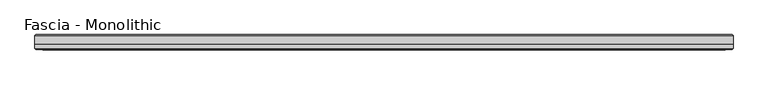
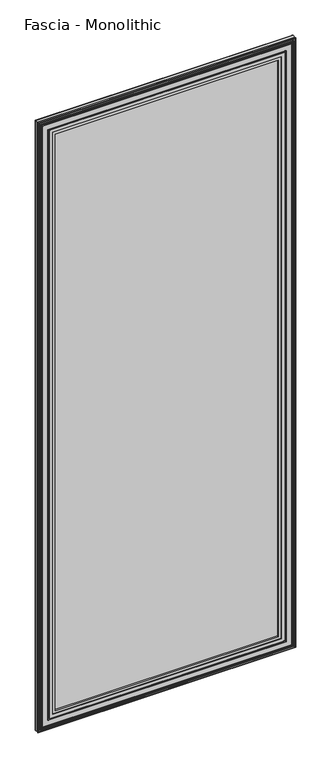
"""IFC4 building model written with IfcOpenShell, lengths in millimetres: proxy geometry, Fascia - Monolithic."""

from ifc_helpers import new_model, si_unit, frame, origin, place, context, project, spatial, ellipse_curve, source, transform, mapped, element, save
from ifc_brep_helpers import plane_surface, cylinder_surface, advanced_brep


def fascia_monolithic_1a6b7d2a(model_context):
    return source(origin(), model_context, "Body", "AdvancedBrep", [
        advanced_brep(
        [(-552.4802416, -15.8650077, 46.2434077), (-552.7496493, -16.7386, 45.974), (552.7496493, -16.7386, 45.974), (552.4802416, -15.8650077, 46.2434077), (-553.654057, -14.6911923, 45.0695923), (553.654057, -14.6911923, 45.0695923), (-546.567457, -15.8650077, 52.1561923), (-545.3936416, -14.6911923, 53.3300077), (545.3936416, -14.6911923, 53.3300077), (546.567457, -15.8650077, 52.1561923), (-546.2980493, -16.7386, 52.4256), (546.2980493, -16.7386, 52.4256), (-530.0166493, -15.5956, 68.707), (-530.7786493, -16.7386, 67.945), (530.7786493, -16.7386, 67.945), (530.0166493, -15.5956, 68.707), (-517.6976493, -8.4836, 81.026), (-517.6976493, -15.5956, 81.026), (517.6976493, -15.5956, 81.026), (517.6976493, -8.4836, 81.026), (-598.7236493, -15.2146, 0.0), (-598.7236493, -8.4836, 0.0), (598.7236493, -8.4836, 0.0), (598.7236493, -15.2146, 0.0), (-597.1996493, -16.7386, 1.524), (597.1996493, -16.7386, 1.524), (-595.1522416, -15.8650077, 3.5714077), (-595.4216493, -16.7386, 3.302), (595.4216493, -16.7386, 3.302), (595.1522416, -15.8650077, 3.5714077), (-596.326057, -14.6911923, 2.3975923), (596.326057, -14.6911923, 2.3975923), (-589.239457, -15.8650077, 9.4841923), (-588.0656416, -14.6911923, 10.6580077), (588.0656416, -14.6911923, 10.6580077), (589.239457, -15.8650077, 9.4841923), (-588.9700493, -16.7386, 9.7536), (588.9700493, -16.7386, 9.7536), (-584.0805493, -16.7386, 14.6431), (-585.6045493, -16.7386, 13.1191), (585.6045493, -16.7386, 13.1191), (584.0805493, -16.7386, 14.6431), (-578.1115493, -16.7386, 20.6121), (-580.5245493, -16.7386, 18.1991), (580.5245493, -16.7386, 18.1991), (578.1115493, -16.7386, 20.6121), (552.7496493, -16.7386, 2946.7494), (552.4802416, -15.8650077, 2946.4799923), (553.654057, -14.6911923, 2947.6538077), (545.3936416, -14.6911923, 2939.3933923), (546.567457, -15.8650077, 2940.5672077), (546.2980493, -16.7386, 2940.2978), (530.7786493, -16.7386, 2924.7784), (530.0166493, -15.5956, 2924.0164), (517.6976493, -15.5956, 2911.6974), (517.6976493, -8.4836, 2911.6974), (598.7236493, -8.4836, 2992.7234), (598.7236493, -15.2146, 2992.7234), (597.1996493, -16.7386, 2991.1994), (595.4216493, -16.7386, 2989.4214), (595.1522416, -15.8650077, 2989.1519923), (596.326057, -14.6911923, 2990.3258077), (588.0656416, -14.6911923, 2982.0653923), (589.239457, -15.8650077, 2983.2392077), (588.9700493, -16.7386, 2982.9698), (585.6045493, -16.7386, 2979.6043), (584.0805493, -16.7386, 2978.0803), (580.5245493, -16.7386, 2974.5243), (578.1115493, -16.7386, 2972.1113), (-552.7496493, -16.7386, 2946.7494), (-552.4802416, -15.8650077, 2946.4799923), (-553.654057, -14.6911923, 2947.6538077), (-545.3936416, -14.6911923, 2939.3933923), (-546.567457, -15.8650077, 2940.5672077), (-546.2980493, -16.7386, 2940.2978), (-530.7786493, -16.7386, 2924.7784), (-530.0166493, -15.5956, 2924.0164), (-517.6976493, -15.5956, 2911.6974), (-517.6976493, -8.4836, 2911.6974), (-598.7236493, -8.4836, 2992.7234), (-598.7236493, -15.2146, 2992.7234), (-597.1996493, -16.7386, 2991.1994), (-595.4216493, -16.7386, 2989.4214), (-595.1522416, -15.8650077, 2989.1519923), (-596.326057, -14.6911923, 2990.3258077), (-588.0656416, -14.6911923, 2982.0653923), (-589.239457, -15.8650077, 2983.2392077), (-588.9700493, -16.7386, 2982.9698), (-585.6045493, -16.7386, 2979.6043), (-584.0805493, -16.7386, 2978.0803), (-580.5245493, -16.7386, 2974.5243), (-578.1115493, -16.7386, 2972.1113)],
        [
            (0, 1, ellipse_curve(frame((-552.8458339, -16.2306, 45.8778154), z_axis=(0.7071067811865475, 0.0, -0.7071067811865475), x_axis=(-0.7071067811865476, 0.0, -0.7071067811865474)), 0.7311846, 0.5170256)),
            (1, 2),
            (2, 3, ellipse_curve(frame((552.8458339, -16.2306, 45.8778154), z_axis=(-0.7071067811865475, 0.0, -0.7071067811865475), x_axis=(-0.7071067811865476, 0.0, 0.7071067811865474)), 0.7311846, 0.5170256)),
            (3, 0),
            (4, 0),
            (3, 5),
            (5, 4),
            (6, 7),
            (7, 8),
            (8, 9),
            (9, 6),
            (10, 6, ellipse_curve(frame((-546.2018647, -16.2306, 52.5217846), z_axis=(0.7071067811865475, 0.0, -0.7071067811865475), x_axis=(-0.7071067811865476, 0.0, -0.7071067811865474)), 0.7311846, 0.5170256)),
            (9, 11, ellipse_curve(frame((546.2018647, -16.2306, 52.5217846), z_axis=(-0.7071067811865475, 0.0, -0.7071067811865475), x_axis=(-0.7071067811865476, 0.0, 0.7071067811865474)), 0.7311846, 0.5170256)),
            (11, 10),
            (12, 13),
            (13, 14),
            (14, 15),
            (15, 12),
            (16, 17),
            (17, 18),
            (18, 19),
            (19, 16),
            (20, 21),
            (21, 22),
            (22, 23),
            (23, 20),
            (24, 20),
            (23, 25),
            (25, 24),
            (26, 27, ellipse_curve(frame((-595.5178339, -16.2306, 3.2058154), z_axis=(0.7071067811865475, 0.0, -0.7071067811865475), x_axis=(-0.7071067811865476, 0.0, -0.7071067811865474)), 0.7311846, 0.5170256)),
            (27, 28),
            (28, 29, ellipse_curve(frame((595.5178339, -16.2306, 3.2058154), z_axis=(-0.7071067811865475, 0.0, -0.7071067811865475), x_axis=(-0.7071067811865476, 0.0, 0.7071067811865474)), 0.7311846, 0.5170256)),
            (29, 26),
            (30, 26),
            (29, 31),
            (31, 30),
            (32, 33),
            (33, 34),
            (34, 35),
            (35, 32),
            (36, 32, ellipse_curve(frame((-588.8738647, -16.2306, 9.8497846), z_axis=(0.7071067811865475, 0.0, -0.7071067811865475), x_axis=(-0.7071067811865476, 0.0, -0.7071067811865474)), 0.7311846, 0.5170256)),
            (35, 37, ellipse_curve(frame((588.8738647, -16.2306, 9.8497846), z_axis=(-0.7071067811865475, 0.0, -0.7071067811865475), x_axis=(-0.7071067811865476, 0.0, 0.7071067811865474)), 0.7311846, 0.5170256)),
            (37, 36),
            (38, 39, ellipse_curve(frame((-584.8425493, -16.7386, 13.8811), z_axis=(0.7071067811865475, 0.0, -0.7071067811865475), x_axis=(-0.7071067811865476, 0.0, -0.7071067811865474)), 1.0776307, 0.762)),
            (39, 40),
            (40, 41, ellipse_curve(frame((584.8425493, -16.7386, 13.8811), z_axis=(-0.7071067811865475, 0.0, -0.7071067811865475), x_axis=(-0.7071067811865476, 0.0, 0.7071067811865474)), 1.0776307, 0.762)),
            (41, 38),
            (42, 43, ellipse_curve(frame((-579.3180493, -16.0202269, 19.4056), z_axis=(0.7071067811865475, 0.0, -0.7071067811865475), x_axis=(-0.7071067811865476, 0.0, -0.7071067811865474)), 1.9858007, 1.4041731)),
            (43, 44),
            (44, 45, ellipse_curve(frame((579.3180493, -16.0202269, 19.4056), z_axis=(-0.7071067811865475, 0.0, -0.7071067811865475), x_axis=(-0.7071067811865476, 0.0, 0.7071067811865474)), 1.9858007, 1.4041731)),
            (45, 42),
            (2, 46),
            (46, 47, ellipse_curve(frame((552.8458339, -16.2306, 2946.8455846), z_axis=(0.7071067811865475, 0.0, -0.7071067811865475), x_axis=(-0.7071067811865474, 0.0, -0.7071067811865476)), 0.7311846, 0.5170256)),
            (47, 3),
            (47, 48),
            (48, 5),
            (8, 49),
            (49, 50),
            (50, 9),
            (50, 51, ellipse_curve(frame((546.2018647, -16.2306, 2940.2016154), z_axis=(0.7071067811865475, 0.0, -0.7071067811865475), x_axis=(-0.7071067811865474, 0.0, -0.7071067811865476)), 0.7311846, 0.5170256)),
            (51, 11),
            (14, 52),
            (52, 53),
            (53, 15),
            (18, 54),
            (54, 55),
            (55, 19),
            (22, 56),
            (56, 57),
            (57, 23),
            (57, 58),
            (58, 25),
            (28, 59),
            (59, 60, ellipse_curve(frame((595.5178339, -16.2306, 2989.5175846), z_axis=(0.7071067811865475, 0.0, -0.7071067811865475), x_axis=(-0.7071067811865474, 0.0, -0.7071067811865476)), 0.7311846, 0.5170256)),
            (60, 29),
            (60, 61),
            (61, 31),
            (34, 62),
            (62, 63),
            (63, 35),
            (63, 64, ellipse_curve(frame((588.8738647, -16.2306, 2982.8736154), z_axis=(0.7071067811865475, 0.0, -0.7071067811865475), x_axis=(-0.7071067811865474, 0.0, -0.7071067811865476)), 0.7311846, 0.5170256)),
            (64, 37),
            (40, 65),
            (65, 66, ellipse_curve(frame((584.8425493, -16.7386, 2978.8423), z_axis=(0.7071067811865475, 0.0, -0.7071067811865475), x_axis=(-0.7071067811865474, 0.0, -0.7071067811865476)), 1.0776307, 0.762)),
            (66, 41),
            (44, 67),
            (67, 68, ellipse_curve(frame((579.3180493, -16.0202269, 2973.3178), z_axis=(0.7071067811865475, 0.0, -0.7071067811865475), x_axis=(-0.7071067811865474, 0.0, -0.7071067811865476)), 1.9858007, 1.4041731)),
            (68, 45),
            (46, 69),
            (69, 70, ellipse_curve(frame((-552.8458339, -16.2306, 2946.8455846), z_axis=(0.7071067811865475, 0.0, 0.7071067811865475), x_axis=(0.7071067811865476, 0.0, -0.7071067811865474)), 0.7311846, 0.5170256)),
            (70, 47),
            (70, 71),
            (71, 48),
            (49, 72),
            (72, 73),
            (73, 50),
            (73, 74, ellipse_curve(frame((-546.2018647, -16.2306, 2940.2016154), z_axis=(0.7071067811865475, 0.0, 0.7071067811865475), x_axis=(0.7071067811865476, 0.0, -0.7071067811865474)), 0.7311846, 0.5170256)),
            (74, 51),
            (52, 75),
            (75, 76),
            (76, 53),
            (54, 77),
            (77, 78),
            (78, 55),
            (56, 79),
            (79, 80),
            (80, 57),
            (80, 81),
            (81, 58),
            (59, 82),
            (82, 83, ellipse_curve(frame((-595.5178339, -16.2306, 2989.5175846), z_axis=(0.7071067811865475, 0.0, 0.7071067811865475), x_axis=(0.7071067811865476, 0.0, -0.7071067811865474)), 0.7311846, 0.5170256)),
            (83, 60),
            (83, 84),
            (84, 61),
            (62, 85),
            (85, 86),
            (86, 63),
            (86, 87, ellipse_curve(frame((-588.8738647, -16.2306, 2982.8736154), z_axis=(0.7071067811865475, 0.0, 0.7071067811865475), x_axis=(0.7071067811865476, 0.0, -0.7071067811865474)), 0.7311846, 0.5170256)),
            (87, 64),
            (65, 88),
            (88, 89, ellipse_curve(frame((-584.8425493, -16.7386, 2978.8423), z_axis=(0.7071067811865475, 0.0, 0.7071067811865475), x_axis=(0.7071067811865476, 0.0, -0.7071067811865474)), 1.0776307, 0.762)),
            (89, 66),
            (67, 90),
            (90, 91, ellipse_curve(frame((-579.3180493, -16.0202269, 2973.3178), z_axis=(0.7071067811865475, 0.0, 0.7071067811865475), x_axis=(0.7071067811865476, 0.0, -0.7071067811865474)), 1.9858007, 1.4041731)),
            (91, 68),
            (91, 42),
            (1, 69),
            (0, 70),
            (4, 71),
            (7, 72),
            (6, 73),
            (10, 74),
            (13, 75),
            (12, 76),
            (17, 77),
            (16, 78),
            (21, 79),
            (20, 80),
            (24, 81),
            (27, 82),
            (26, 83),
            (30, 84),
            (33, 85),
            (32, 86),
            (36, 87),
            (39, 88),
            (38, 89),
            (43, 90),
        ],
        [
            cylinder_surface(frame((-598.7236493, -16.2306, 45.8778154), z_axis=(-1.0, 0.0, 0.0), x_axis=(0.0, 0.0, 1.0)), 0.5170256),
            plane_surface(frame((-552.4802416, -15.8650077, 46.2434077), z_axis=(0.0, 0.7071067813016592, 0.7071067810714359), x_axis=(1.0, 0.0, 0.0))),
            plane_surface(frame((-545.3936416, -14.6911923, 53.3300077), z_axis=(0.0, 0.7071067813016237, -0.7071067810714713), x_axis=(1.0, 0.0, 0.0))),
            cylinder_surface(frame((-598.7236493, -16.2306, 52.5217846), z_axis=(-1.0, 0.0, 0.0), x_axis=(0.0, 0.0, 1.0)), 0.5170256),
            plane_surface(frame((-530.7786493, -16.7386, 67.945), z_axis=(0.0, -0.554700195976685, 0.8320502945035398), x_axis=(1.0, 0.0, 0.0))),
            plane_surface(frame((-517.6976493, -15.5956, 81.026), z_axis=(0.0, 0.0, 1.0), x_axis=(1.0, 0.0, 0.0))),
            plane_surface(frame((-598.7236493, -8.4836, 0.0), z_axis=(0.0, 0.0, -1.0), x_axis=(1.0, 0.0, 0.0))),
            plane_surface(frame((-598.7236493, -15.2146, 0.0), z_axis=(0.0, -0.7071067811865392, -0.7071067811865558), x_axis=(1.0, 0.0, 0.0))),
            cylinder_surface(frame((-598.7236493, -16.2306, 3.2058154), z_axis=(-1.0, 0.0, 0.0), x_axis=(0.0, 0.0, 1.0)), 0.5170256),
            plane_surface(frame((-595.1522416, -15.8650077, 3.5714077), z_axis=(0.0, 0.707106781113895, 0.7071067812592001), x_axis=(1.0, 0.0, 0.0))),
            plane_surface(frame((-588.0656416, -14.6911923, 10.6580077), z_axis=(0.0, 0.7071067811880475, -0.7071067811850476), x_axis=(1.0, 0.0, 0.0))),
            cylinder_surface(frame((-598.7236493, -16.2306, 9.8497846), z_axis=(-1.0, 0.0, 0.0), x_axis=(0.0, 0.0, 1.0)), 0.5170256),
            cylinder_surface(frame((-598.7236493, -16.7386, 13.8811), z_axis=(-1.0, 0.0, 0.0), x_axis=(0.0, 0.0, 1.0)), 0.762),
            cylinder_surface(frame((-598.7236493, -16.0202269, 19.4056), z_axis=(-1.0, 0.0, 0.0), x_axis=(0.0, 0.0, 1.0)), 1.4041731),
            cylinder_surface(frame((552.8458339, -16.2306, 0.0), z_axis=(0.0, 0.0, -1.0), x_axis=(-1.0, 0.0, 0.0)), 0.5170256),
            plane_surface(frame((552.4802416, -15.8650077, 46.2434077), z_axis=(-0.7071067810714261, 0.7071067813016689, 0.0), x_axis=(0.0, 0.0, 1.0))),
            plane_surface(frame((545.3936416, -14.6911923, 53.3300077), z_axis=(0.7071067810714811, 0.707106781301614, 0.0), x_axis=(0.0, 0.0, 1.0))),
            cylinder_surface(frame((546.2018647, -16.2306, 0.0), z_axis=(0.0, 0.0, -1.0), x_axis=(-1.0, 0.0, 0.0)), 0.5170256),
            plane_surface(frame((530.7786493, -16.7386, 67.945), z_axis=(-0.8320502945035475, -0.5547001959766734, 0.0), x_axis=(0.0, 0.0, 1.0))),
            plane_surface(frame((517.6976493, -15.5956, 81.026), z_axis=(-1.0, 0.0, 0.0), x_axis=(0.0, 0.0, 1.0))),
            plane_surface(frame((598.7236493, -8.4836, 0.0), z_axis=(1.0, 0.0, 0.0), x_axis=(0.0, 0.0, 1.0))),
            plane_surface(frame((598.7236493, -15.2146, 0.0), z_axis=(0.707106781186546, -0.707106781186549, 0.0), x_axis=(0.0, 0.0, 1.0))),
            cylinder_surface(frame((595.5178339, -16.2306, 0.0), z_axis=(0.0, 0.0, -1.0), x_axis=(-1.0, 0.0, 0.0)), 0.5170256),
            plane_surface(frame((595.1522416, -15.8650077, 3.5714077), z_axis=(-0.7071067812591904, 0.7071067811139048, 0.0), x_axis=(0.0, 0.0, 1.0))),
            plane_surface(frame((588.0656416, -14.6911923, 10.6580077), z_axis=(0.7071067811850573, 0.7071067811880377, 0.0), x_axis=(0.0, 0.0, 1.0))),
            cylinder_surface(frame((588.8738647, -16.2306, 0.0), z_axis=(0.0, 0.0, -1.0), x_axis=(-1.0, 0.0, 0.0)), 0.5170256),
            cylinder_surface(frame((584.8425493, -16.7386, 0.0), z_axis=(0.0, 0.0, -1.0), x_axis=(-1.0, 0.0, 0.0)), 0.762),
            cylinder_surface(frame((579.3180493, -16.0202269, 0.0), z_axis=(0.0, 0.0, -1.0), x_axis=(-1.0, 0.0, 0.0)), 1.4041731),
            cylinder_surface(frame((598.7236493, -16.2306, 2946.8455846), z_axis=(1.0, 0.0, 0.0), x_axis=(0.0, 0.0, -1.0)), 0.5170256),
            plane_surface(frame((552.4802416, -15.8650077, 2946.4799923), z_axis=(0.0, 0.7071067813016787, -0.7071067810714163), x_axis=(-1.0, 0.0, 0.0))),
            plane_surface(frame((545.3936416, -14.6911923, 2939.3933923), z_axis=(0.0, 0.7071067813016042, 0.7071067810714908), x_axis=(-1.0, 0.0, 0.0))),
            cylinder_surface(frame((598.7236493, -16.2306, 2940.2016154), z_axis=(1.0, 0.0, 0.0), x_axis=(0.0, 0.0, -1.0)), 0.5170256),
            plane_surface(frame((530.7786493, -16.7386, 2924.7784), z_axis=(0.0, -0.5547001959766619, -0.8320502945035552), x_axis=(-1.0, 0.0, 0.0))),
            plane_surface(frame((517.6976493, -15.5956, 2911.6974), z_axis=(0.0, 0.0, -1.0), x_axis=(-1.0, 0.0, 0.0))),
            plane_surface(frame((598.7236493, -8.4836, 2992.7234), z_axis=(0.0, 0.0, 1.0), x_axis=(-1.0, 0.0, 0.0))),
            plane_surface(frame((598.7236493, -15.2146, 2992.7234), z_axis=(0.0, -0.7071067811865588, 0.7071067811865362), x_axis=(-1.0, 0.0, 0.0))),
            cylinder_surface(frame((598.7236493, -16.2306, 2989.5175846), z_axis=(1.0, 0.0, 0.0), x_axis=(0.0, 0.0, -1.0)), 0.5170256),
            plane_surface(frame((595.1522416, -15.8650077, 2989.1519923), z_axis=(0.0, 0.7071067811139146, -0.7071067812591806), x_axis=(-1.0, 0.0, 0.0))),
            plane_surface(frame((588.0656416, -14.6911923, 2982.0653923), z_axis=(0.0, 0.7071067811880279, 0.7071067811850671), x_axis=(-1.0, 0.0, 0.0))),
            cylinder_surface(frame((598.7236493, -16.2306, 2982.8736154), z_axis=(1.0, 0.0, 0.0), x_axis=(0.0, 0.0, -1.0)), 0.5170256),
            cylinder_surface(frame((598.7236493, -16.7386, 2978.8423), z_axis=(1.0, 0.0, 0.0), x_axis=(0.0, 0.0, -1.0)), 0.762),
            cylinder_surface(frame((598.7236493, -16.0202269, 2973.3178), z_axis=(1.0, 0.0, 0.0), x_axis=(0.0, 0.0, -1.0)), 1.4041731),
            plane_surface(frame((-578.1115493, -16.7386, 2972.1113), z_axis=(0.0, -1.0, 0.0), x_axis=(0.0, 0.0, -1.0))),
            cylinder_surface(frame((-552.8458339, -16.2306, 2992.7234), z_axis=(0.0, 0.0, 1.0), x_axis=(1.0, 0.0, 0.0)), 0.5170256),
            plane_surface(frame((-552.4802416, -15.8650077, 2946.4799923), z_axis=(0.7071067810714261, 0.7071067813016689, 0.0), x_axis=(0.0, 0.0, -1.0))),
            plane_surface(frame((-553.654057, -14.6911923, 2947.6538077), z_axis=(0.0, -1.0, 0.0), x_axis=(0.0, 0.0, -1.0))),
            plane_surface(frame((-545.3936416, -14.6911923, 2939.3933923), z_axis=(-0.7071067810714811, 0.707106781301614, 0.0), x_axis=(0.0, 0.0, -1.0))),
            cylinder_surface(frame((-546.2018647, -16.2306, 2992.7234), z_axis=(0.0, 0.0, 1.0), x_axis=(1.0, 0.0, 0.0)), 0.5170256),
            plane_surface(frame((-546.2980493, -16.7386, 2940.2978), z_axis=(0.0, -1.0, 0.0), x_axis=(0.0, 0.0, -1.0))),
            plane_surface(frame((-530.7786493, -16.7386, 2924.7784), z_axis=(0.8320502945035475, -0.5547001959766734, 0.0), x_axis=(0.0, 0.0, -1.0))),
            plane_surface(frame((-530.0166493, -15.5956, 2924.0164), z_axis=(0.0, -1.0, 0.0), x_axis=(0.0, 0.0, -1.0))),
            plane_surface(frame((-517.6976493, -15.5956, 2911.6974), z_axis=(1.0, 0.0, 0.0), x_axis=(0.0, 0.0, -1.0))),
            plane_surface(frame((-517.6976493, -8.4836, 2911.6974), z_axis=(0.0, 1.0, 0.0), x_axis=(0.0, 0.0, -1.0))),
            plane_surface(frame((-598.7236493, -8.4836, 2992.7234), z_axis=(-1.0, 0.0, 0.0), x_axis=(0.0, 0.0, -1.0))),
            plane_surface(frame((-598.7236493, -15.2146, 2992.7234), z_axis=(-0.707106781186546, -0.707106781186549, 0.0), x_axis=(0.0, 0.0, -1.0))),
            plane_surface(frame((-597.1996493, -16.7386, 2991.1994), z_axis=(0.0, -1.0, 0.0), x_axis=(0.0, 0.0, -1.0))),
            cylinder_surface(frame((-595.5178339, -16.2306, 2992.7234), z_axis=(0.0, 0.0, 1.0), x_axis=(1.0, 0.0, 0.0)), 0.5170256),
            plane_surface(frame((-595.1522416, -15.8650077, 2989.1519923), z_axis=(0.7071067812591904, 0.7071067811139048, 0.0), x_axis=(0.0, 0.0, -1.0))),
            plane_surface(frame((-596.326057, -14.6911923, 2990.3258077), z_axis=(0.0, -1.0, 0.0), x_axis=(0.0, 0.0, -1.0))),
            plane_surface(frame((-588.0656416, -14.6911923, 2982.0653923), z_axis=(-0.7071067811850573, 0.7071067811880377, 0.0), x_axis=(0.0, 0.0, -1.0))),
            cylinder_surface(frame((-588.8738647, -16.2306, 2992.7234), z_axis=(0.0, 0.0, 1.0), x_axis=(1.0, 0.0, 0.0)), 0.5170256),
            plane_surface(frame((-588.9700493, -16.7386, 2982.9698), z_axis=(0.0, -1.0, 0.0), x_axis=(0.0, 0.0, -1.0))),
            cylinder_surface(frame((-584.8425493, -16.7386, 2992.7234), z_axis=(0.0, 0.0, 1.0), x_axis=(1.0, 0.0, 0.0)), 0.762),
            plane_surface(frame((-584.0805493, -16.7386, 2978.0803), z_axis=(0.0, -1.0, 0.0), x_axis=(0.0, 0.0, -1.0))),
            cylinder_surface(frame((-579.3180493, -16.0202269, 2992.7234), z_axis=(0.0, 0.0, 1.0), x_axis=(1.0, 0.0, 0.0)), 1.4041731),
        ],
        [
            (0, [[1, 2, 3, 4]]),
            (1, [[5, -4, 6, 7]]),
            (2, [[8, 9, 10, 11]]),
            (3, [[12, -11, 13, 14]]),
            (4, [[15, 16, 17, 18]]),
            (5, [[19, 20, 21, 22]]),
            (6, [[23, 24, 25, 26]]),
            (7, [[27, -26, 28, 29]]),
            (8, [[30, 31, 32, 33]]),
            (9, [[34, -33, 35, 36]]),
            (10, [[37, 38, 39, 40]]),
            (11, [[41, -40, 42, 43]]),
            (12, [[44, 45, 46, 47]]),
            (13, [[48, 49, 50, 51]]),
            (14, [[-3, 52, 53, 54]]),
            (15, [[-6, -54, 55, 56]]),
            (16, [[-10, 57, 58, 59]]),
            (17, [[-13, -59, 60, 61]]),
            (18, [[-17, 62, 63, 64]]),
            (19, [[-21, 65, 66, 67]]),
            (20, [[-25, 68, 69, 70]]),
            (21, [[-28, -70, 71, 72]]),
            (22, [[-32, 73, 74, 75]]),
            (23, [[-35, -75, 76, 77]]),
            (24, [[-39, 78, 79, 80]]),
            (25, [[-42, -80, 81, 82]]),
            (26, [[-46, 83, 84, 85]]),
            (27, [[-50, 86, 87, 88]]),
            (28, [[-53, 89, 90, 91]]),
            (29, [[-55, -91, 92, 93]]),
            (30, [[-58, 94, 95, 96]]),
            (31, [[-60, -96, 97, 98]]),
            (32, [[-63, 99, 100, 101]]),
            (33, [[-66, 102, 103, 104]]),
            (34, [[-69, 105, 106, 107]]),
            (35, [[-71, -107, 108, 109]]),
            (36, [[-74, 110, 111, 112]]),
            (37, [[-76, -112, 113, 114]]),
            (38, [[-79, 115, 116, 117]]),
            (39, [[-81, -117, 118, 119]]),
            (40, [[-84, 120, 121, 122]]),
            (41, [[-87, 123, 124, 125]]),
            (42, [[-88, -125, 126, -51], [127, -89, -52, -2]]),
            (43, [[-90, -127, -1, 128]]),
            (44, [[-92, -128, -5, 129]]),
            (45, [[-56, -93, -129, -7], [130, -94, -57, -9]]),
            (46, [[-95, -130, -8, 131]]),
            (47, [[-97, -131, -12, 132]]),
            (48, [[-61, -98, -132, -14], [133, -99, -62, -16]]),
            (49, [[-100, -133, -15, 134]]),
            (50, [[-64, -101, -134, -18], [135, -102, -65, -20]]),
            (51, [[-103, -135, -19, 136]]),
            (52, [[137, -105, -68, -24], [-67, -104, -136, -22]]),
            (53, [[-106, -137, -23, 138]]),
            (54, [[-108, -138, -27, 139]]),
            (55, [[-72, -109, -139, -29], [140, -110, -73, -31]]),
            (56, [[-111, -140, -30, 141]]),
            (57, [[-113, -141, -34, 142]]),
            (58, [[-77, -114, -142, -36], [143, -115, -78, -38]]),
            (59, [[-116, -143, -37, 144]]),
            (60, [[-118, -144, -41, 145]]),
            (61, [[-82, -119, -145, -43], [146, -120, -83, -45]]),
            (62, [[-121, -146, -44, 147]]),
            (63, [[-85, -122, -147, -47], [148, -123, -86, -49]]),
            (64, [[-124, -148, -48, -126]]),
        ],
    ),
        advanced_brep(
        [(-598.7236493, -8.4836, 2992.7234), (598.7236493, -8.4836, 2992.7234), (598.7236493, 6.1862895, 2992.7234), (-598.7236493, 6.1862895, 2992.7234), (598.7236493, -8.4836, 0.0), (-598.7236493, -8.4836, 0.0), (-598.7236493, 6.1862895, 0.0), (598.7236493, 6.1862895, 0.0), (596.4263388, 8.4836, 2.2973105), (-596.4263388, 8.4836, 2.2973105), (-596.4263388, 8.4836, 2990.4260895), (596.4263388, 8.4836, 2990.4260895)],
        [
            (0, 1),
            (1, 2),
            (2, 3),
            (3, 0),
            (4, 5),
            (5, 6),
            (6, 7),
            (7, 4),
            (8, 9),
            (9, 10),
            (10, 11),
            (11, 8),
            (5, 0),
            (3, 6),
            (4, 1),
            (7, 2),
            (8, 7, ellipse_curve(frame((596.4263388, 6.1862895, 2.2973105), z_axis=(-0.7071067811865475, 0.0, -0.7071067811865475), x_axis=(0.7071067811865476, 0.0, -0.7071067811865474)), 3.2488876, 2.2973105)),
            (6, 9, ellipse_curve(frame((-596.4263388, 6.1862895, 2.2973105), z_axis=(0.7071067811865475, 0.0, -0.7071067811865475), x_axis=(0.7071067811865476, 0.0, 0.7071067811865474)), 3.2488876, 2.2973105)),
            (11, 2, ellipse_curve(frame((596.4263388, 6.1862895, 2990.4260895), z_axis=(0.7071067811865475, 0.0, -0.7071067811865475), x_axis=(0.7071067811865474, 0.0, 0.7071067811865476)), 3.2488876, 2.2973105)),
            (10, 3, ellipse_curve(frame((-596.4263388, 6.1862895, 2990.4260895), z_axis=(0.7071067811865475, 0.0, 0.7071067811865475), x_axis=(-0.7071067811865476, 0.0, 0.7071067811865474)), 3.2488876, 2.2973105)),
        ],
        [
            plane_surface(frame((0.0, 198.5529455, 2992.7234), z_axis=(0.0, 0.0, 1.0), x_axis=(0.0, -1.0, 0.0))),
            plane_surface(frame((0.0, 198.5529455, 0.0), z_axis=(0.0, 0.0, -1.0), x_axis=(0.0, -1.0, 0.0))),
            plane_surface(frame((598.7236493, 8.4836, 2992.7234), z_axis=(0.0, 1.0, 0.0), x_axis=(0.0, 0.0, -1.0))),
            plane_surface(frame((-598.7236493, 8.4836, 2992.7234), z_axis=(-1.0, 0.0, 0.0), x_axis=(0.0, 0.0, -1.0))),
            plane_surface(frame((-598.7236493, -8.4836, 2992.7234), z_axis=(0.0, -1.0, 0.0), x_axis=(0.0, 0.0, -1.0))),
            plane_surface(frame((598.7236493, -8.4836, 2992.7234), z_axis=(1.0, 0.0, 0.0), x_axis=(0.0, 0.0, -1.0))),
            cylinder_surface(frame((-598.7236493, 6.1862895, 2.2973105), z_axis=(1.0, 0.0, 0.0), x_axis=(0.0, -1.0, 0.0)), 2.2973105),
            cylinder_surface(frame((596.4263388, 6.1862895, 0.0), z_axis=(0.0, 0.0, 1.0), x_axis=(0.0, -1.0, 0.0)), 2.2973105),
            cylinder_surface(frame((598.7236493, 6.1862895, 2990.4260895), z_axis=(-1.0, 0.0, 0.0), x_axis=(0.0, -1.0, 0.0)), 2.2973105),
            cylinder_surface(frame((-596.4263388, 6.1862895, 2992.7234), z_axis=(0.0, 0.0, -1.0), x_axis=(0.0, -1.0, 0.0)), 2.2973105),
        ],
        [
            (0, [[1, 2, 3, 4]]),
            (1, [[5, 6, 7, 8]]),
            (2, [[9, 10, 11, 12]]),
            (3, [[13, -4, 14, -6]]),
            (4, [[-1, -13, -5, 15]]),
            (5, [[-15, -8, 16, -2]]),
            (6, [[17, -7, 18, -9]]),
            (7, [[-17, -12, 19, -16]]),
            (8, [[-19, -11, 20, -3]]),
            (9, [[-18, -14, -20, -10]]),
        ],
    ),
    ])


if __name__ == "__main__":
    model = new_model("IFC4")
    model_context = context("Model", 3, world=origin())
    ifc_project = project(units=[si_unit("LENGTHUNIT", "METRE", prefix="MILLI")], contexts=[model_context])
    site = spatial("IfcSite", under=ifc_project)
    building = spatial("IfcBuilding", under=site)
    placement = place(None, origin())
    fascia_monolithic_shape = fascia_monolithic_1a6b7d2a(model_context)
    element("IfcBuildingElementProxy", 1, Name="Fascia - Monolithic", ObjectType="Fascia - Monolithic", at=placement, inside=building, context=model_context, shape_type="MappedRepresentation", body=[
        mapped(fascia_monolithic_shape, transform((0.0, 0.0, 0.0), x_axis=(1.0, 0.0, 0.0), y_axis=(0.0, 1.0, 0.0), z_axis=(0.0, 0.0, 1.0))),
    ])
    save(model, "model.ifc")
